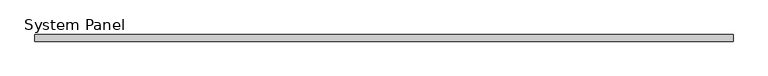
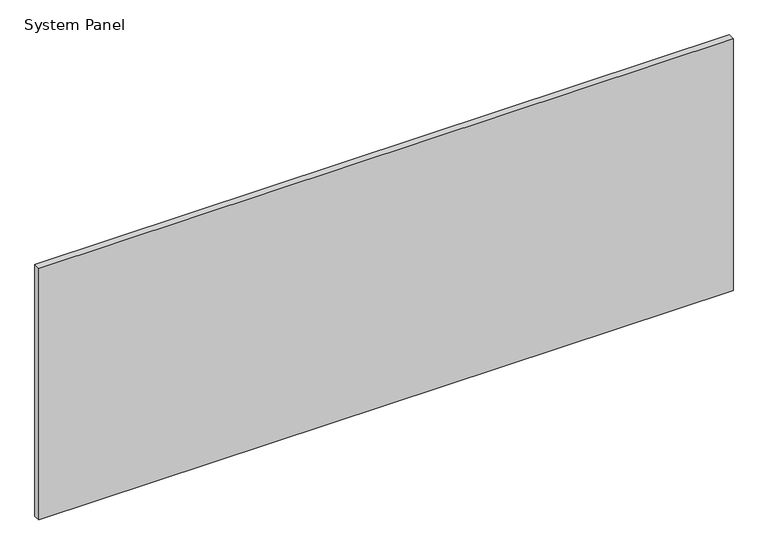
"""IFC4 building model written with IfcOpenShell, lengths in millimetres: plate geometry, System Panel."""

from ifc_helpers import new_model, si_unit, origin, origin_with_axes, place, context, project, spatial, polyline, outline, extrude, source, transform, mapped, element, save


def system_panel_f9e7dbae(model_context):
    return source(origin(), model_context, "Body", "SweptSolid", [
        extrude(outline(polyline([(670.7187499, -12.7), (-670.7187499, -12.7), (-670.7187499, 0.0), (670.7187499, 0.0), (670.7187499, -12.7)])), origin_with_axes(), (0.0, 0.0, 1.0), 514.35),
    ])


if __name__ == "__main__":
    model = new_model("IFC4")
    model_context = context("Model", 3, world=origin())
    ifc_project = project(units=[si_unit("LENGTHUNIT", "METRE", prefix="MILLI")], contexts=[model_context])
    site = spatial("IfcSite", under=ifc_project)
    building = spatial("IfcBuilding", under=site)
    placement = place(None, origin())
    system_panel_shape = system_panel_f9e7dbae(model_context)
    element("IfcPlate", 1, ObjectType="System Panel", at=placement, inside=building, context=model_context, shape_type="MappedRepresentation", body=[
        mapped(system_panel_shape, transform((0.0, 0.0, 0.0), x_axis=(1.0, 0.0, 0.0), y_axis=(0.0, 1.0, 0.0), z_axis=(0.0, 0.0, 1.0))),
    ])
    save(model, "model.ifc")
